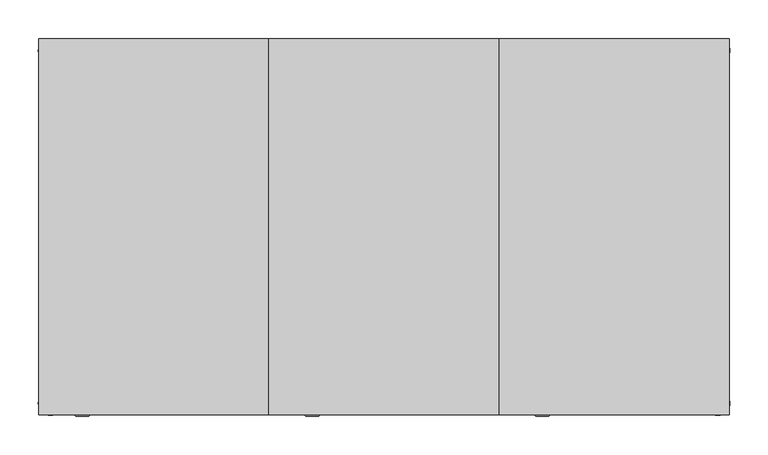
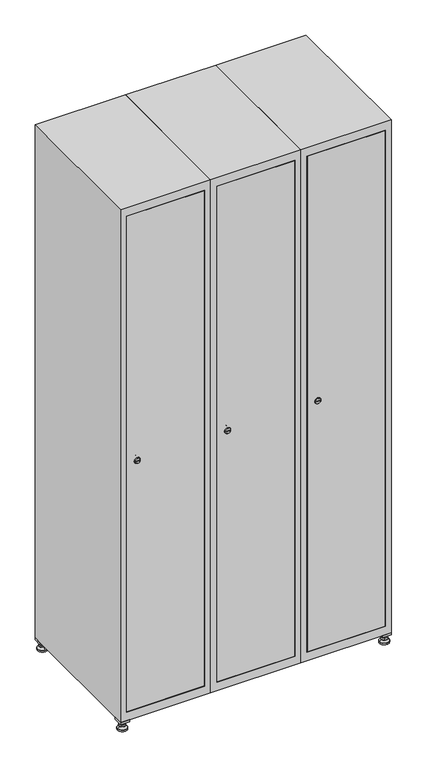
"""IFC4 building model written with IfcOpenShell, lengths in millimetres: furniture geometry."""

import ifcopenshell
import ifcopenshell.guid

model = None  # the IFC model being written
_history = None  # IfcOwnerHistory: only IFC2X3 demands one
_inside = {}  # id of a spatial element -> (the spatial element, [elements in it])
_under = {}  # id of a project, library or spatial element -> (it, [spatial elements below it])
_declared = {}  # id of a project -> (the project, [libraries it declares])
_typed = {}  # id of a type object -> (the type object, [elements of that type])
_made_of = {}  # id of a material, layer set ... -> (it, [elements and type objects made of it])


def new_model(schema):
    """Start an empty IFC model of exactly this schema.

    Asked for "IFC4X3", IfcOpenShell would pick the latest addendum, in which some entities
    have other attributes; the version numbers below select the first issue.
    IFC2X3 requires an IfcOwnerHistory on every rooted entity: one is made here for all.
    """
    global model, _history
    if schema == "IFC4X3":
        model = ifcopenshell.file(schema_version=(4, 3, 0, 0))
    else:
        model = ifcopenshell.file(schema=schema)
    _inside.clear()
    _under.clear()
    _declared.clear()
    _typed.clear()
    _made_of.clear()
    _history = None
    if model.schema == "IFC2X3":
        org = make("IfcOrganization", Name="unknown")
        user = make(
            "IfcPersonAndOrganization",
            ThePerson=make("IfcPerson", FamilyName="unknown"),
            TheOrganization=org,
        )
        app = make(
            "IfcApplication",
            ApplicationDeveloper=org,
            Version="unknown",
            ApplicationFullName="unknown",
            ApplicationIdentifier="unknown",
        )
        _history = make(
            "IfcOwnerHistory",
            OwningUser=user,
            OwningApplication=app,
            ChangeAction="ADDED",
            CreationDate=0,
        )
    return model


def make(cls, **values):
    """One entity of the class cls with the attributes given. An attribute that is None is left unset."""
    return model.create_entity(
        cls, **{name: value for name, value in values.items() if value is not None}
    )


def rooted(cls, **values):
    """An entity with a GlobalId (a new one), such as an element, a storey or a relation."""
    return make(cls, GlobalId=ifcopenshell.guid.new(), OwnerHistory=_history, **values)


def si_unit(unit_type, name, prefix=None):
    """IfcSIUnit, for example si_unit("LENGTHUNIT", "METRE", prefix="MILLI")."""
    return make("IfcSIUnit", UnitType=unit_type, Prefix=prefix, Name=name)


def assignment(units):
    """IfcUnitAssignment: the units of a project."""
    return None if units is None else make("IfcUnitAssignment", Units=units)


def point(xyz):
    """IfcCartesianPoint."""
    return None if xyz is None else make("IfcCartesianPoint", Coordinates=xyz)


def direction(xyz):
    """IfcDirection."""
    return None if xyz is None else make("IfcDirection", DirectionRatios=xyz)


def frame(location, z_axis=None, x_axis=None):
    """IfcAxis2Placement3D, a coordinate frame: its origin and axes. An axis left out is left unset."""
    return make(
        "IfcAxis2Placement3D",
        Location=point(location),
        Axis=direction(z_axis),
        RefDirection=direction(x_axis),
    )


def frame_2d(location, x_axis=None):
    """IfcAxis2Placement2D, a coordinate frame in the plane: its origin and x axis."""
    return make(
        "IfcAxis2Placement2D", Location=point(location), RefDirection=direction(x_axis)
    )


def origin():
    """The frame at (0, 0, 0) with its axes left unset."""
    return frame((0.0, 0.0, 0.0))


def origin_with_axes():
    """The frame at (0, 0, 0) with the z axis (0, 0, 1) and the x axis (1, 0, 0) written out."""
    return frame((0.0, 0.0, 0.0), z_axis=(0.0, 0.0, 1.0), x_axis=(1.0, 0.0, 0.0))


def place(relative_to, where):
    """IfcLocalPlacement: puts the frame where relative to a parent placement (None: the world)."""
    return make(
        "IfcLocalPlacement", PlacementRelTo=relative_to, RelativePlacement=where
    )


def context(
    kind, dimensions, precision=None, world=None, true_north=None, identifier=None
):
    """IfcGeometricRepresentationContext, for example the 3D "Model" context."""
    return make(
        "IfcGeometricRepresentationContext",
        ContextIdentifier=identifier,
        ContextType=kind,
        CoordinateSpaceDimension=dimensions,
        Precision=precision,
        WorldCoordinateSystem=world,
        TrueNorth=true_north,
    )


def project(units=None, contexts=None):
    """IfcProject with its units and contexts."""
    return rooted(
        "IfcProject",
        Name="project",
        RepresentationContexts=contexts,
        UnitsInContext=assignment(units),
    )


def spatial(cls, under=None, at=None, **own):
    """A site, building, storey or space (cls), placed at a placement, below another one or the project."""
    s = rooted(cls, ObjectPlacement=at, **own)
    if under is not None:
        _under.setdefault(under.id(), (under, []))[1].append(s)
    return s


def polyline(points):
    """IfcPolyline through the points."""
    return make("IfcPolyline", Points=[point(p) for p in points])


def circle_curve(where, radius):
    """IfcCircle in the frame where."""
    return make("IfcCircle", Position=where, Radius=radius)


def trimmed(basis, trim1, trim2, sense, master):
    """IfcTrimmedCurve: the piece of a basis curve between two trims."""
    return make(
        "IfcTrimmedCurve",
        BasisCurve=basis,
        Trim1=trim1,
        Trim2=trim2,
        SenseAgreement=sense,
        MasterRepresentation=master,
    )


def segment(curve, same_sense, transition):
    """IfcCompositeCurveSegment."""
    return make(
        "IfcCompositeCurveSegment",
        Transition=transition,
        SameSense=same_sense,
        ParentCurve=curve,
    )


def composite_curve(segments, self_intersect=None):
    """IfcCompositeCurve: segments joined end to end."""
    return make("IfcCompositeCurve", Segments=segments, SelfIntersect=self_intersect)


def outline(outer, holes=None, kind="AREA"):
    """IfcArbitraryClosedProfileDef: a profile drawn as a closed curve; with holes, ...WithVoids."""
    if holes is None:
        return make("IfcArbitraryClosedProfileDef", ProfileType=kind, OuterCurve=outer)
    return make(
        "IfcArbitraryProfileDefWithVoids",
        ProfileType=kind,
        OuterCurve=outer,
        InnerCurves=holes,
    )


def extrude(swept, where, along, depth):
    """IfcExtrudedAreaSolid: the profile swept, set in the frame where, extruded along a direction by depth."""
    return make(
        "IfcExtrudedAreaSolid",
        SweptArea=swept,
        Position=where,
        ExtrudedDirection=direction(along),
        Depth=depth,
    )


def faces_of(points, faces, orient=None, outer=None):
    """IfcFace entities. A face is a list of loops; a loop is a list of indices into points, from 0.

    orient and outer hold one flag for each loop. By default every Orientation is true, the
    first loop of a face is its IfcFaceOuterBound and the others are IfcFaceBound.
    """
    made = []
    for i, loops in enumerate(faces):
        bounds = []
        for j, loop in enumerate(loops):
            is_outer = j == 0 if outer is None else outer[i][j]
            bounds.append(
                make(
                    "IfcFaceOuterBound" if is_outer else "IfcFaceBound",
                    Bound=make("IfcPolyLoop", Polygon=[points[k] for k in loop]),
                    Orientation=True if orient is None else orient[i][j],
                )
            )
        made.append(make("IfcFace", Bounds=bounds))
    return made


def faceted_brep(points, faces, orient=None, outer=None, voids=None):
    """IfcFacetedBrep: a solid bounded by flat faces; with voids (closed shells), ...WithVoids."""
    shared = [point(p) for p in points]
    hull = make("IfcClosedShell", CfsFaces=faces_of(shared, faces, orient, outer))
    if voids is None:
        return make("IfcFacetedBrep", Outer=hull)
    return make(
        "IfcFacetedBrepWithVoids",
        Outer=hull,
        Voids=[
            make(cls, CfsFaces=faces_of(shared, fs, o, b)) for cls, fs, o, b in voids
        ],
    )


def shape(context_of_items, identifier, shape_type, items):
    """IfcShapeRepresentation: the items that make up one representation, for example the "Body"."""
    return make(
        "IfcShapeRepresentation",
        ContextOfItems=context_of_items,
        RepresentationIdentifier=identifier,
        RepresentationType=shape_type,
        Items=items,
    )


def source(mapping_origin, context_of_items, identifier, shape_type, items):
    """IfcRepresentationMap: a shape defined once, which mapped items show again and again."""
    return make(
        "IfcRepresentationMap",
        MappingOrigin=mapping_origin,
        MappedRepresentation=shape(context_of_items, identifier, shape_type, items),
    )


def transform(
    local_origin,
    x_axis=None,
    y_axis=None,
    z_axis=None,
    scale=None,
    scale2=None,
    scale3=None,
    uniform=True,
):
    """IfcCartesianTransformationOperator3D, or its non-uniform kind. x_axis, y_axis, z_axis: its Axis1, 2, 3."""
    if uniform:
        return make(
            "IfcCartesianTransformationOperator3D",
            Axis1=direction(x_axis),
            Axis2=direction(y_axis),
            LocalOrigin=point(local_origin),
            Scale=scale,
            Axis3=direction(z_axis),
        )
    return make(
        "IfcCartesianTransformationOperator3DnonUniform",
        Axis1=direction(x_axis),
        Axis2=direction(y_axis),
        LocalOrigin=point(local_origin),
        Scale=scale,
        Axis3=direction(z_axis),
        Scale2=scale2,
        Scale3=scale3,
    )


def mapped(mapping_source, mapping_target):
    """IfcMappedItem: shows the shape of a source again, moved by a transform."""
    return make(
        "IfcMappedItem", MappingSource=mapping_source, MappingTarget=mapping_target
    )


def made_of(thing, what):
    """Note that an element or type object is made of a material, layer set ...; save() writes the relation."""
    if what is not None:
        _made_of.setdefault(what.id(), (what, []))[1].append(thing)
    return thing


def element(
    cls,
    number,
    at=None,
    inside=None,
    cuts=None,
    type_object=None,
    material=None,
    context=None,
    identifier="Body",
    shape_type=None,
    held_by="IfcProductDefinitionShape",
    body=None,
    shapes=None,
    **own,
):
    """One element of the class cls, such as IfcWall. Its Tag is "e" and its number.

    at: its placement. inside: the storey or other place that contains it. cuts: it is an
    opening in that element (IfcRelVoidsElement). A single representation is given by context,
    identifier, shape_type and body (its items); several are given by shapes. held_by: the class
    of the entity that holds the representations. save() writes the other relations.
    """
    e = rooted(cls, Tag="e%d" % number, ObjectPlacement=at, **own)
    if body is not None:
        shapes = [shape(context, identifier, shape_type, body)]
    if shapes is not None:
        e.Representation = make(held_by, Representations=shapes)
    if inside is not None:
        _inside.setdefault(inside.id(), (inside, []))[1].append(e)
    if cuts is not None:
        rooted(
            "IfcRelVoidsElement", RelatingBuildingElement=cuts, RelatedOpeningElement=e
        )
    if type_object is not None:
        _typed.setdefault(type_object.id(), (type_object, []))[1].append(e)
    return made_of(e, material)


def aggregate(whole, parts):
    """IfcRelAggregates: a whole, such as a stair, and the parts it consists of."""
    return rooted("IfcRelAggregates", RelatingObject=whole, RelatedObjects=parts)


def save(model, path):
    """Write the relations noted so far, then the file.

    IfcRelAggregates (storeys below a building ...), IfcRelContainedInSpatialStructure (elements
    in a storey), IfcRelDefinesByType, IfcRelAssociatesMaterial and IfcRelDeclares: one each for
    every whole, place, type object, material and project.
    """
    for whole, parts in _under.values():
        aggregate(whole, parts)
    for where, things in _inside.values():
        rooted(
            "IfcRelContainedInSpatialStructure",
            RelatedElements=things,
            RelatingStructure=where,
        )
    for kind, things in _typed.values():
        rooted("IfcRelDefinesByType", RelatedObjects=things, RelatingType=kind)
    for what, things in _made_of.values():
        rooted("IfcRelAssociatesMaterial", RelatedObjects=things, RelatingMaterial=what)
    for by, libraries in _declared.values():
        rooted("IfcRelDeclares", RelatingContext=by, RelatedDefinitions=libraries)
    model.write(path)


def plane_surface(at):
    """IfcPlane: the flat surface through the origin of the frame at, square to its z axis."""
    return make("IfcPlane", Position=at)


def revolved_surface(curve, axis_point, axis_direction):
    """IfcSurfaceOfRevolution: the curve turned about the line through axis_point along axis_direction."""
    return make(
        "IfcSurfaceOfRevolution",
        SweptCurve=make("IfcArbitraryOpenProfileDef", ProfileType="CURVE", Curve=curve),
        AxisPosition=make("IfcAxis1Placement", Location=point(axis_point), Axis=direction(axis_direction)),
    )


def advanced_brep(points, edges, surfaces, faces):
    """IfcAdvancedBrep: a solid bounded by faces that lie on surfaces and meet in shared edges.

    An edge is (start, end): straight between two places in points (the first is 0);
    or (start, end, curve); or (start, end, curve, False) where it runs against its curve.
    A face is (place in surfaces, loops), or (place, loops, False) where it looks against
    its surface's normal. A loop lists edges by number (the first is 1), with a minus sign
    where the edge is run from its end to its start. The first loop is the outer one.
    """
    corners = [point(p) for p in points]
    vertices = [make("IfcVertexPoint", VertexGeometry=c) for c in corners]
    made = []
    for start, end, *more in edges:
        made.append(
            make(
                "IfcEdgeCurve",
                EdgeStart=vertices[start],
                EdgeEnd=vertices[end],
                EdgeGeometry=more[0] if more else make("IfcPolyline", Points=[corners[start], corners[end]]),
                SameSense=more[1] if len(more) > 1 else True,
            )
        )
    hull = []
    for where, loops, *sense in faces:
        bounds = []
        for j, loop in enumerate(loops):
            ring = [make("IfcOrientedEdge", EdgeElement=made[abs(k) - 1], Orientation=k > 0) for k in loop]
            bounds.append(
                make(
                    "IfcFaceOuterBound" if j == 0 else "IfcFaceBound",
                    Bound=make("IfcEdgeLoop", EdgeList=ring),
                    Orientation=True,
                )
            )
        hull.append(make("IfcAdvancedFace", Bounds=bounds, FaceSurface=surfaces[where], SameSense=sense[0] if sense else True))
    return make("IfcAdvancedBrep", Outer=make("IfcClosedShell", CfsFaces=hull))


def furniture_a2f8b3f5(model_context):
    return source(origin(), model_context, "Body", "SolidModel", [
        extrude(outline(polyline([(700.0, 245.0), (700.0, 215.0), (670.0, 215.0), (670.0, 245.0), (700.0, 245.0)]), holes=[polyline([(698.0, 243.0), (672.0, 243.0), (672.0, 217.0), (698.0, 217.0), (698.0, 243.0)])]), frame((0.0, 0.0, 28.5), z_axis=(0.0, 0.0, 1.0), x_axis=(1.0, 0.0, 0.0)), (0.0, 0.0, 1.0), 6.5),
        extrude(outline(polyline([(670.0, -245.0), (670.0, -215.0), (700.0, -215.0), (700.0, -245.0), (670.0, -245.0)]), holes=[polyline([(672.0, -243.0), (698.0, -243.0), (698.0, -217.0), (672.0, -217.0), (672.0, -243.0)])]), frame((0.0, 0.0, 28.5), z_axis=(0.0, 0.0, 1.0), x_axis=(1.0, 0.0, 0.0)), (0.0, 0.0, 1.0), 6.5),
        extrude(outline(polyline([(-170.0, 245.0), (-170.0, 215.0), (-200.0, 215.0), (-200.0, 245.0), (-170.0, 245.0)]), holes=[polyline([(-172.0, 243.0), (-198.0, 243.0), (-198.0, 217.0), (-172.0, 217.0), (-172.0, 243.0)])]), frame((0.0, 0.0, 28.5), z_axis=(0.0, 0.0, 1.0), x_axis=(1.0, 0.0, 0.0)), (0.0, 0.0, 1.0), 6.5),
        extrude(outline(polyline([(-170.0, -215.0), (-170.0, -245.0), (-200.0, -245.0), (-200.0, -215.0), (-170.0, -215.0)]), holes=[polyline([(-198.0, -243.0), (-172.0, -243.0), (-172.0, -217.0), (-198.0, -217.0), (-198.0, -243.0)])]), frame((0.0, 0.0, 28.5), z_axis=(0.0, 0.0, 1.0), x_axis=(1.0, 0.0, 0.0)), (0.0, 0.0, 1.0), 6.5),
        extrude(outline(composite_curve([segment(trimmed(circle_curve(frame_2d((-185.0, 230.0)), 5.0), [point((-180.0, 230.0))], [point((-190.0, 230.0))], False, "CARTESIAN"), True, "CONTINUOUS"), segment(trimmed(circle_curve(frame_2d((-185.0, 230.0)), 5.0), [point((-190.0, 230.0))], [point((-180.0, 230.0))], False, "CARTESIAN"), True, "CONTINUOUS")], self_intersect=False)), frame((0.0, 0.0, 19.6), z_axis=(0.0, 0.0, 1.0), x_axis=(1.0, 0.0, 0.0)), (0.0, 0.0, 1.0), 15.4),
        extrude(outline(composite_curve([segment(trimmed(circle_curve(frame_2d((-185.0, -230.0)), 5.0), [point((-180.0, -230.0))], [point((-190.0, -230.0))], False, "CARTESIAN"), True, "CONTINUOUS"), segment(trimmed(circle_curve(frame_2d((-185.0, -230.0)), 5.0), [point((-190.0, -230.0))], [point((-180.0, -230.0))], False, "CARTESIAN"), True, "CONTINUOUS")], self_intersect=False)), frame((0.0, 0.0, 19.6), z_axis=(0.0, 0.0, 1.0), x_axis=(1.0, 0.0, 0.0)), (0.0, 0.0, 1.0), 15.4),
        extrude(outline(composite_curve([segment(trimmed(circle_curve(frame_2d((685.0, 230.0)), 5.0), [point((690.0, 230.0))], [point((680.0, 230.0))], False, "CARTESIAN"), True, "CONTINUOUS"), segment(trimmed(circle_curve(frame_2d((685.0, 230.0)), 5.0), [point((680.0, 230.0))], [point((690.0, 230.0))], False, "CARTESIAN"), True, "CONTINUOUS")], self_intersect=False)), frame((0.0, 0.0, 19.6), z_axis=(0.0, 0.0, 1.0), x_axis=(1.0, 0.0, 0.0)), (0.0, 0.0, 1.0), 15.4),
        extrude(outline(polyline([(673.4529946, 230.0), (679.2264973, 240.0), (690.7735027, 240.0), (696.5470054, 230.0), (690.7735027, 220.0), (679.2264973, 220.0), (673.4529946, 230.0)])), frame((0.0, 0.0, 13.6), z_axis=(0.0, 0.0, 1.0), x_axis=(1.0, 0.0, 0.0)), (0.0, 0.0, 1.0), 6.0),
        extrude(outline(composite_curve([segment(trimmed(circle_curve(frame_2d((685.0, -230.0)), 5.0), [point((690.0, -230.0))], [point((680.0, -230.0))], False, "CARTESIAN"), True, "CONTINUOUS"), segment(trimmed(circle_curve(frame_2d((685.0, -230.0)), 5.0), [point((680.0, -230.0))], [point((690.0, -230.0))], False, "CARTESIAN"), True, "CONTINUOUS")], self_intersect=False)), frame((0.0, 0.0, 19.6), z_axis=(0.0, 0.0, 1.0), x_axis=(1.0, 0.0, 0.0)), (0.0, 0.0, 1.0), 15.4),
        extrude(outline(polyline([(673.4529946, -230.0), (679.2264973, -220.0), (690.7735027, -220.0), (696.5470054, -230.0), (690.7735027, -240.0), (679.2264973, -240.0), (673.4529946, -230.0)])), frame((0.0, 0.0, 13.6), z_axis=(0.0, 0.0, 1.0), x_axis=(1.0, 0.0, 0.0)), (0.0, 0.0, 1.0), 6.0),
        extrude(outline(composite_curve([segment(trimmed(circle_curve(frame_2d((685.0, 230.0)), 5.0), [point((690.0, 230.0))], [point((680.0, 230.0))], False, "CARTESIAN"), True, "CONTINUOUS"), segment(trimmed(circle_curve(frame_2d((685.0, 230.0)), 5.0), [point((680.0, 230.0))], [point((690.0, 230.0))], False, "CARTESIAN"), True, "CONTINUOUS")], self_intersect=False)), frame((0.0, 0.0, 12.1), z_axis=(0.0, 0.0, 1.0), x_axis=(1.0, 0.0, 0.0)), (0.0, 0.0, 1.0), 1.5),
        extrude(outline(composite_curve([segment(trimmed(circle_curve(frame_2d((685.0, -230.0)), 5.0), [point((690.0, -230.0))], [point((680.0, -230.0))], False, "CARTESIAN"), True, "CONTINUOUS"), segment(trimmed(circle_curve(frame_2d((685.0, -230.0)), 5.0), [point((680.0, -230.0))], [point((690.0, -230.0))], False, "CARTESIAN"), True, "CONTINUOUS")], self_intersect=False)), frame((0.0, 0.0, 12.1), z_axis=(0.0, 0.0, 1.0), x_axis=(1.0, 0.0, 0.0)), (0.0, 0.0, 1.0), 1.5),
        extrude(outline(polyline([(-196.5470054, 230.0), (-190.7735027, 240.0), (-179.2264973, 240.0), (-173.4529946, 230.0), (-179.2264973, 220.0), (-190.7735027, 220.0), (-196.5470054, 230.0)])), frame((0.0, 0.0, 13.6), z_axis=(0.0, 0.0, 1.0), x_axis=(1.0, 0.0, 0.0)), (0.0, 0.0, 1.0), 6.0),
        extrude(outline(polyline([(-196.5470054, -230.0), (-190.7735027, -220.0), (-179.2264973, -220.0), (-173.4529946, -230.0), (-179.2264973, -240.0), (-190.7735027, -240.0), (-196.5470054, -230.0)])), frame((0.0, 0.0, 13.6), z_axis=(0.0, 0.0, 1.0), x_axis=(1.0, 0.0, 0.0)), (0.0, 0.0, 1.0), 6.0),
        extrude(outline(composite_curve([segment(trimmed(circle_curve(frame_2d((-185.0, 230.0)), 5.0), [point((-185.0, 235.0))], [point((-185.0, 225.0))], False, "CARTESIAN"), True, "CONTINUOUS"), segment(trimmed(circle_curve(frame_2d((-185.0, 230.0)), 5.0), [point((-185.0, 225.0))], [point((-185.0, 235.0))], False, "CARTESIAN"), True, "CONTINUOUS")], self_intersect=False)), frame((0.0, 0.0, 12.1), z_axis=(0.0, 0.0, 1.0), x_axis=(1.0, 0.0, 0.0)), (0.0, 0.0, 1.0), 1.5),
        extrude(outline(composite_curve([segment(trimmed(circle_curve(frame_2d((-185.0, -230.0)), 5.0), [point((-180.0, -230.0))], [point((-190.0, -230.0))], False, "CARTESIAN"), True, "CONTINUOUS"), segment(trimmed(circle_curve(frame_2d((-185.0, -230.0)), 5.0), [point((-190.0, -230.0))], [point((-180.0, -230.0))], False, "CARTESIAN"), True, "CONTINUOUS")], self_intersect=False)), frame((0.0, 0.0, 12.1), z_axis=(0.0, 0.0, 1.0), x_axis=(1.0, 0.0, 0.0)), (0.0, 0.0, 1.0), 1.5),
        extrude(outline(composite_curve([segment(trimmed(circle_curve(frame_2d((685.0, 230.0)), 15.75), [point((700.75, 230.0))], [point((669.25, 230.0))], False, "CARTESIAN"), True, "CONTINUOUS"), segment(trimmed(circle_curve(frame_2d((685.0, 230.0)), 15.75), [point((669.25, 230.0))], [point((700.75, 230.0))], False, "CARTESIAN"), True, "CONTINUOUS")], self_intersect=False)), origin_with_axes(), (0.0, 0.0, 1.0), 5.1),
        extrude(outline(composite_curve([segment(trimmed(circle_curve(frame_2d((685.0, -230.0)), 15.75), [point((685.0, -214.25))], [point((685.0, -245.75))], False, "CARTESIAN"), True, "CONTINUOUS"), segment(trimmed(circle_curve(frame_2d((685.0, -230.0)), 15.75), [point((685.0, -245.75))], [point((685.0, -214.25))], False, "CARTESIAN"), True, "CONTINUOUS")], self_intersect=False)), origin_with_axes(), (0.0, 0.0, 1.0), 5.1),
        extrude(outline(composite_curve([segment(trimmed(circle_curve(frame_2d((-185.0, -230.0)), 15.75), [point((-169.25, -230.0))], [point((-200.75, -230.0))], False, "CARTESIAN"), True, "CONTINUOUS"), segment(trimmed(circle_curve(frame_2d((-185.0, -230.0)), 15.75), [point((-200.75, -230.0))], [point((-169.25, -230.0))], False, "CARTESIAN"), True, "CONTINUOUS")], self_intersect=False)), origin_with_axes(), (0.0, 0.0, 1.0), 5.1),
        extrude(outline(composite_curve([segment(trimmed(circle_curve(frame_2d((-185.0, 230.0)), 15.75), [point((-169.25, 230.0))], [point((-200.75, 230.0))], False, "CARTESIAN"), True, "CONTINUOUS"), segment(trimmed(circle_curve(frame_2d((-185.0, 230.0)), 15.75), [point((-200.75, 230.0))], [point((-169.25, 230.0))], False, "CARTESIAN"), True, "CONTINUOUS")], self_intersect=False)), origin_with_axes(), (0.0, 0.0, 1.0), 5.1),
        advanced_brep(
        [(-185.0, 245.75, 5.1), (-185.0, 214.25, 5.1), (-185.0, 239.5, 12.1), (-185.0, 220.5, 12.1)],
        [
            (0, 1, circle_curve(frame((-185.0, 230.0, 5.1), z_axis=(0.0, 0.0, -1.0), x_axis=(0.0, 1.0, 0.0)), 15.75)),
            (1, 0, circle_curve(frame((-185.0, 230.0, 5.1), z_axis=(0.0, 0.0, -1.0), x_axis=(0.0, -1.0, 0.0)), 15.75)),
            (2, 3, circle_curve(frame((-185.0, 230.0, 12.1), z_axis=(0.0, 0.0, 1.0), x_axis=(0.0, -1.0, 0.0)), 9.5)),
            (3, 2, circle_curve(frame((-185.0, 230.0, 12.1), z_axis=(0.0, 0.0, 1.0), x_axis=(0.0, 1.0, 0.0)), 9.5)),
            (3, 1),
            (0, 2),
        ],
        [
            plane_surface(frame((-185.0, 230.0, 5.1), z_axis=(0.0, 0.0, -1.0), x_axis=(1.0, 0.0, 0.0))),
            plane_surface(frame((-185.0, 230.0, 12.1), z_axis=(0.0, 0.0, 1.0), x_axis=(1.0, 0.0, 0.0))),
            revolved_surface(polyline([(-185.0, 220.5, 12.099999999999998), (-185.0, 214.25, 5.099999999999998)]), (-185.0, 230.0, 22.74), (0.0, 0.0, -1.0)),
            revolved_surface(polyline([(-185.0, 239.5, 12.099999999999998), (-185.0, 245.75, 5.099999999999998)]), (-185.0, 230.0, 22.74), (0.0, 0.0, -1.0)),
        ],
        [
            (0, [[1, 2]]),
            (1, [[3, 4]]),
            (2, [[-4, 5, -1, 6]]),
            (3, [[-3, -6, -2, -5]]),
        ],
    ),
        advanced_brep(
        [(685.0, 245.75, 5.1), (685.0, 214.25, 5.1), (685.0, 239.5, 12.1), (685.0, 220.5, 12.1)],
        [
            (0, 1, circle_curve(frame((685.0, 230.0, 5.1), z_axis=(0.0, 0.0, -1.0), x_axis=(0.0, 1.0, 0.0)), 15.75)),
            (1, 0, circle_curve(frame((685.0, 230.0, 5.1), z_axis=(0.0, 0.0, -1.0), x_axis=(0.0, -1.0, 0.0)), 15.75)),
            (2, 3, circle_curve(frame((685.0, 230.0, 12.1), z_axis=(0.0, 0.0, 1.0), x_axis=(0.0, -1.0, 0.0)), 9.5)),
            (3, 2, circle_curve(frame((685.0, 230.0, 12.1), z_axis=(0.0, 0.0, 1.0), x_axis=(0.0, 1.0, 0.0)), 9.5)),
            (3, 1),
            (0, 2),
        ],
        [
            plane_surface(frame((685.0, 230.0, 5.1), z_axis=(0.0, 0.0, -1.0), x_axis=(1.0, 0.0, 0.0))),
            plane_surface(frame((685.0, 230.0, 12.1), z_axis=(0.0, 0.0, 1.0), x_axis=(1.0, 0.0, 0.0))),
            revolved_surface(polyline([(685.0, 220.5, 12.099999999999998), (685.0, 214.25, 5.099999999999998)]), (685.0, 230.0, 22.74), (0.0, 0.0, -1.0)),
            revolved_surface(polyline([(685.0, 239.5, 12.099999999999998), (685.0, 245.75, 5.099999999999998)]), (685.0, 230.0, 22.74), (0.0, 0.0, -1.0)),
        ],
        [
            (0, [[1, 2]]),
            (1, [[3, 4]]),
            (2, [[-4, 5, -1, 6]]),
            (3, [[-3, -6, -2, -5]]),
        ],
    ),
        advanced_brep(
        [(694.5, -230.0, 12.1), (675.5, -230.0, 12.1), (700.75, -230.0, 5.1), (669.25, -230.0, 5.1)],
        [
            (0, 1, circle_curve(frame((685.0, -230.0, 12.1), z_axis=(0.0, 0.0, 1.0), x_axis=(1.0, 0.0, 0.0)), 9.5)),
            (1, 0, circle_curve(frame((685.0, -230.0, 12.1), z_axis=(0.0, 0.0, 1.0), x_axis=(-1.0, 0.0, 0.0)), 9.5)),
            (2, 3, circle_curve(frame((685.0, -230.0, 5.1), z_axis=(0.0, 0.0, -1.0), x_axis=(-1.0, 0.0, 0.0)), 15.75)),
            (3, 2, circle_curve(frame((685.0, -230.0, 5.1), z_axis=(0.0, 0.0, -1.0), x_axis=(1.0, 0.0, 0.0)), 15.75)),
            (3, 1),
            (0, 2),
        ],
        [
            plane_surface(frame((685.0, -230.0, 12.1), z_axis=(0.0, 0.0, 1.0), x_axis=(0.0, 1.0, 0.0))),
            plane_surface(frame((685.0, -230.0, 5.1), z_axis=(0.0, 0.0, -1.0), x_axis=(0.0, 1.0, 0.0))),
            revolved_surface(polyline([(694.5, -230.0, 12.099999999999998), (700.75, -230.0, 5.099999999999998)]), (685.0, -230.0, 22.74), (0.0, 0.0, -1.0)),
            revolved_surface(polyline([(675.5, -230.0, 12.099999999999998), (669.25, -230.0, 5.099999999999998)]), (685.0, -230.0, 22.74), (0.0, 0.0, -1.0)),
        ],
        [
            (0, [[1, 2]]),
            (1, [[3, 4]]),
            (2, [[-4, 5, -1, 6]]),
            (3, [[-3, -6, -2, -5]]),
        ],
    ),
        advanced_brep(
        [(-175.5, -230.0, 12.1), (-194.5, -230.0, 12.1), (-169.25, -230.0, 5.1), (-200.75, -230.0, 5.1)],
        [
            (0, 1, circle_curve(frame((-185.0, -230.0, 12.1), z_axis=(0.0, 0.0, 1.0), x_axis=(1.0, 0.0, 0.0)), 9.5)),
            (1, 0, circle_curve(frame((-185.0, -230.0, 12.1), z_axis=(0.0, 0.0, 1.0), x_axis=(-1.0, 0.0, 0.0)), 9.5)),
            (2, 3, circle_curve(frame((-185.0, -230.0, 5.1), z_axis=(0.0, 0.0, -1.0), x_axis=(-1.0, 0.0, 0.0)), 15.75)),
            (3, 2, circle_curve(frame((-185.0, -230.0, 5.1), z_axis=(0.0, 0.0, -1.0), x_axis=(1.0, 0.0, 0.0)), 15.75)),
            (3, 1),
            (0, 2),
        ],
        [
            plane_surface(frame((-185.0, -230.0, 12.1), z_axis=(0.0, 0.0, 1.0), x_axis=(0.0, 1.0, 0.0))),
            plane_surface(frame((-185.0, -230.0, 5.1), z_axis=(0.0, 0.0, -1.0), x_axis=(0.0, 1.0, 0.0))),
            revolved_surface(polyline([(-175.5, -230.0, 12.099999999999998), (-169.25, -230.0, 5.099999999999998)]), (-185.0, -230.0, 22.74), (0.0, 0.0, -1.0)),
            revolved_surface(polyline([(-194.5, -230.0, 12.099999999999998), (-200.75, -230.0, 5.099999999999998)]), (-185.0, -230.0, 22.74), (0.0, 0.0, -1.0)),
        ],
        [
            (0, [[1, 2]]),
            (1, [[3, 4]]),
            (2, [[-4, 5, -1, 6]]),
            (3, [[-3, -6, -2, -5]]),
        ],
    ),
        extrude(outline(composite_curve([segment(trimmed(circle_curve(frame_2d((935.0, 429.6010534)), 7.0), [point((942.0, 429.6010534))], [point((928.0, 429.6010534))], False, "CARTESIAN"), True, "CONTINUOUS"), segment(polyline([(928.0, 429.6010534), (928.0, 457.6010534)]), True, "CONTINUOUS"), segment(trimmed(circle_curve(frame_2d((935.0, 457.6010534)), 7.0), [point((928.0, 457.6010534))], [point((942.0, 457.6010534))], False, "CARTESIAN"), True, "CONTINUOUS"), segment(polyline([(942.0, 457.6010534), (942.0, 429.6010534)]), True, "CONTINUOUS")], self_intersect=False)), frame((0.0, -227.0, 0.0), z_axis=(0.0, 1.0, 0.0), x_axis=(0.0, 0.0, 1.0)), (0.0, 0.0, 1.0), 2.0),
        advanced_brep(
        [(464.9, -247.2, 935.0), (447.9, -247.2, 935.0), (451.4, -247.2, 933.75), (451.4, -247.2, 936.25), (461.4, -247.2, 936.25), (461.4, -247.2, 933.75), (466.9, -245.0, 935.0), (445.9, -245.0, 935.0), (451.4, -245.0, 936.25), (451.4, -245.0, 933.75), (461.4, -245.0, 933.75), (461.4, -245.0, 936.25)],
        [
            (0, 1, circle_curve(frame((456.4, -247.2, 935.0), z_axis=(0.0, -1.0, 0.0), x_axis=(1.0, 0.0, 0.0)), 8.5)),
            (1, 0, circle_curve(frame((456.4, -247.2, 935.0), z_axis=(0.0, -1.0, 0.0), x_axis=(-1.0, 0.0, 0.0)), 8.5)),
            (2, 3),
            (3, 4),
            (4, 5),
            (5, 2),
            (6, 7, circle_curve(frame((456.4, -245.0, 935.0), z_axis=(0.0, 1.0, 0.0), x_axis=(-1.0, 0.0, 0.0)), 10.5)),
            (7, 6, circle_curve(frame((456.4, -245.0, 935.0), z_axis=(0.0, 1.0, 0.0), x_axis=(1.0, 0.0, 0.0)), 10.5)),
            (8, 9),
            (9, 10),
            (10, 11),
            (11, 8),
            (0, 6),
            (7, 1),
            (8, 3),
            (2, 9),
            (11, 4),
            (10, 5),
        ],
        [
            plane_surface(frame((456.4, -247.2, 935.0), z_axis=(0.0, -1.0, 0.0), x_axis=(0.0, 0.0, 1.0))),
            plane_surface(frame((456.4, -245.0, 935.0), z_axis=(0.0, 1.0, 0.0), x_axis=(0.0, 0.0, 1.0))),
            revolved_surface(polyline([(464.9, -247.2, 935.0), (466.9, -245.0, 935.0)]), (456.4, -256.55, 935.0), (0.0, 1.0, 0.0)),
            revolved_surface(polyline([(447.9, -247.2, 935.0), (445.9, -245.0, 935.0)]), (456.4, -256.55, 935.0), (0.0, 1.0, 0.0)),
            plane_surface(frame((451.4, -245.0, 933.75), z_axis=(1.0, 0.0, 0.0), x_axis=(0.0, -1.0, 0.0))),
            plane_surface(frame((451.4, -245.0, 936.25), z_axis=(0.0, 0.0, -1.0), x_axis=(0.0, -1.0, 0.0))),
            plane_surface(frame((461.4, -245.0, 936.25), z_axis=(-1.0, 0.0, 0.0), x_axis=(0.0, -1.0, 0.0))),
            plane_surface(frame((461.4, -245.0, 933.75), z_axis=(0.0, 0.0, 1.0), x_axis=(0.0, -1.0, 0.0))),
        ],
        [
            (0, [[1, 2], [3, 4, 5, 6]]),
            (1, [[7, 8], [9, 10, 11, 12]]),
            (2, [[-1, 13, -8, 14]]),
            (3, [[-2, -14, -7, -13]]),
            (4, [[15, -3, 16, -9]]),
            (5, [[-15, -12, 17, -4]]),
            (6, [[-17, -11, 18, -5]]),
            (7, [[-16, -6, -18, -10]]),
        ],
    ),
        extrude(outline(polyline([(678.6, -227.0), (678.6, -245.0), (421.4, -245.0), (421.4, -227.0), (678.6, -227.0)])), frame((0.0, 0.0, 66.2), z_axis=(0.0, 0.0, 1.0), x_axis=(1.0, 0.0, 0.0)), (0.0, 0.0, 1.0), 1737.6),
        faceted_brep([(700.0, -245.0, 35.0), (700.0, -245.0, 1835.0), (400.0, -245.0, 1835.0), (400.0, -245.0, 35.0), (679.6, -245.0, 1804.8), (679.6, -245.0, 65.2), (420.4, -245.0, 65.2), (420.4, -245.0, 1804.8), (700.0, 245.0, 35.0), (400.0, 245.0, 35.0), (700.0, 245.0, 1835.0), (400.0, 245.0, 1835.0), (679.6, 242.0, 1804.8), (679.6, 242.0, 65.2), (400.0, 245.0, 1804.8), (420.4, 242.0, 1804.8), (420.4, 242.0, 65.2)], [[[0, 1, 2, 3], [4, 5, 6, 7]], [[8, 0, 3, 9]], [[1, 0, 8, 10]], [[1, 10, 11, 2]], [[4, 12, 13, 5]], [[9, 3, 2, 11, 14]], [[10, 8, 9, 14, 11]], [[12, 15, 16, 13]], [[15, 7, 6, 16]], [[4, 7, 15, 12]], [[6, 5, 13, 16]]]),
        extrude(outline(composite_curve([segment(trimmed(circle_curve(frame_2d((935.0, 129.6010534)), 7.0), [point((942.0, 129.6010534))], [point((928.0, 129.6010534))], False, "CARTESIAN"), True, "CONTINUOUS"), segment(polyline([(928.0, 129.6010534), (928.0, 157.6010534)]), True, "CONTINUOUS"), segment(trimmed(circle_curve(frame_2d((935.0, 157.6010534)), 7.0), [point((928.0, 157.6010534))], [point((942.0, 157.6010534))], False, "CARTESIAN"), True, "CONTINUOUS"), segment(polyline([(942.0, 157.6010534), (942.0, 129.6010534)]), True, "CONTINUOUS")], self_intersect=False)), frame((0.0, -227.0, 0.0), z_axis=(0.0, 1.0, 0.0), x_axis=(0.0, 0.0, 1.0)), (0.0, 0.0, 1.0), 2.0),
        advanced_brep(
        [(164.9, -247.2, 935.0), (147.9, -247.2, 935.0), (151.4, -247.2, 933.75), (151.4, -247.2, 936.25), (161.4, -247.2, 936.25), (161.4, -247.2, 933.75), (166.9, -245.0, 935.0), (145.9, -245.0, 935.0), (151.4, -245.0, 936.25), (151.4, -245.0, 933.75), (161.4, -245.0, 933.75), (161.4, -245.0, 936.25)],
        [
            (0, 1, circle_curve(frame((156.4, -247.2, 935.0), z_axis=(0.0, -1.0, 0.0), x_axis=(1.0, 0.0, 0.0)), 8.5)),
            (1, 0, circle_curve(frame((156.4, -247.2, 935.0), z_axis=(0.0, -1.0, 0.0), x_axis=(-1.0, 0.0, 0.0)), 8.5)),
            (2, 3),
            (3, 4),
            (4, 5),
            (5, 2),
            (6, 7, circle_curve(frame((156.4, -245.0, 935.0), z_axis=(0.0, 1.0, 0.0), x_axis=(-1.0, 0.0, 0.0)), 10.5)),
            (7, 6, circle_curve(frame((156.4, -245.0, 935.0), z_axis=(0.0, 1.0, 0.0), x_axis=(1.0, 0.0, 0.0)), 10.5)),
            (8, 9),
            (9, 10),
            (10, 11),
            (11, 8),
            (0, 6),
            (7, 1),
            (8, 3),
            (2, 9),
            (11, 4),
            (10, 5),
        ],
        [
            plane_surface(frame((156.4, -247.2, 935.0), z_axis=(0.0, -1.0, 0.0), x_axis=(0.0, 0.0, 1.0))),
            plane_surface(frame((156.4, -245.0, 935.0), z_axis=(0.0, 1.0, 0.0), x_axis=(0.0, 0.0, 1.0))),
            revolved_surface(polyline([(164.9, -247.2, 935.0), (166.9, -245.0, 935.0)]), (156.4, -256.55, 935.0), (0.0, 1.0, 0.0)),
            revolved_surface(polyline([(147.9, -247.2, 935.0), (145.9, -245.0, 935.0)]), (156.4, -256.55, 935.0), (0.0, 1.0, 0.0)),
            plane_surface(frame((151.4, -245.0, 933.75), z_axis=(1.0, 0.0, 0.0), x_axis=(0.0, -1.0, 0.0))),
            plane_surface(frame((151.4, -245.0, 936.25), z_axis=(0.0, 0.0, -1.0), x_axis=(0.0, -1.0, 0.0))),
            plane_surface(frame((161.4, -245.0, 936.25), z_axis=(-1.0, 0.0, 0.0), x_axis=(0.0, -1.0, 0.0))),
            plane_surface(frame((161.4, -245.0, 933.75), z_axis=(0.0, 0.0, 1.0), x_axis=(0.0, -1.0, 0.0))),
        ],
        [
            (0, [[1, 2], [3, 4, 5, 6]]),
            (1, [[7, 8], [9, 10, 11, 12]]),
            (2, [[-1, 13, -8, 14]]),
            (3, [[-2, -14, -7, -13]]),
            (4, [[15, -3, 16, -9]]),
            (5, [[-15, -12, 17, -4]]),
            (6, [[-17, -11, 18, -5]]),
            (7, [[-16, -6, -18, -10]]),
        ],
    ),
        extrude(outline(polyline([(378.6, -227.0), (378.6, -245.0), (121.4, -245.0), (121.4, -227.0), (378.6, -227.0)])), frame((0.0, 0.0, 66.2), z_axis=(0.0, 0.0, 1.0), x_axis=(1.0, 0.0, 0.0)), (0.0, 0.0, 1.0), 1737.6),
        faceted_brep([(400.0, -245.0, 35.0), (400.0, -245.0, 1835.0), (100.0, -245.0, 1835.0), (100.0, -245.0, 35.0), (379.6, -245.0, 1804.8), (379.6, -245.0, 65.2), (120.4, -245.0, 65.2), (120.4, -245.0, 1804.8), (400.0, 245.0, 35.0), (100.0, 245.0, 35.0), (400.0, 245.0, 1835.0), (100.0, 245.0, 1835.0), (379.6, 242.0, 1804.8), (379.6, 242.0, 65.2), (100.0, 245.0, 1804.8), (120.4, 242.0, 1804.8), (120.4, 242.0, 65.2)], [[[0, 1, 2, 3], [4, 5, 6, 7]], [[8, 0, 3, 9]], [[1, 0, 8, 10]], [[1, 10, 11, 2]], [[4, 12, 13, 5]], [[9, 3, 2, 11, 14]], [[10, 8, 9, 14, 11]], [[12, 15, 16, 13]], [[15, 7, 6, 16]], [[4, 7, 15, 12]], [[6, 5, 13, 16]]]),
        extrude(outline(composite_curve([segment(trimmed(circle_curve(frame_2d((935.0, -170.3989466)), 7.0), [point((942.0, -170.3989466))], [point((928.0, -170.3989466))], False, "CARTESIAN"), True, "CONTINUOUS"), segment(polyline([(928.0, -170.3989466), (928.0, -142.3989466)]), True, "CONTINUOUS"), segment(trimmed(circle_curve(frame_2d((935.0, -142.3989466)), 7.0), [point((928.0, -142.3989466))], [point((942.0, -142.3989466))], False, "CARTESIAN"), True, "CONTINUOUS"), segment(polyline([(942.0, -142.3989466), (942.0, -170.3989466)]), True, "CONTINUOUS")], self_intersect=False)), frame((0.0, -227.0, 0.0), z_axis=(0.0, 1.0, 0.0), x_axis=(0.0, 0.0, 1.0)), (0.0, 0.0, 1.0), 2.0),
        advanced_brep(
        [(-135.1, -247.2, 935.0), (-152.1, -247.2, 935.0), (-148.6, -247.2, 933.75), (-148.6, -247.2, 936.25), (-138.6, -247.2, 936.25), (-138.6, -247.2, 933.75), (-133.1, -245.0, 935.0), (-154.1, -245.0, 935.0), (-148.6, -245.0, 936.25), (-148.6, -245.0, 933.75), (-138.6, -245.0, 933.75), (-138.6, -245.0, 936.25)],
        [
            (0, 1, circle_curve(frame((-143.6, -247.2, 935.0), z_axis=(0.0, -1.0, 0.0), x_axis=(1.0, 0.0, 0.0)), 8.5)),
            (1, 0, circle_curve(frame((-143.6, -247.2, 935.0), z_axis=(0.0, -1.0, 0.0), x_axis=(-1.0, 0.0, 0.0)), 8.5)),
            (2, 3),
            (3, 4),
            (4, 5),
            (5, 2),
            (6, 7, circle_curve(frame((-143.6, -245.0, 935.0), z_axis=(0.0, 1.0, 0.0), x_axis=(-1.0, 0.0, 0.0)), 10.5)),
            (7, 6, circle_curve(frame((-143.6, -245.0, 935.0), z_axis=(0.0, 1.0, 0.0), x_axis=(1.0, 0.0, 0.0)), 10.5)),
            (8, 9),
            (9, 10),
            (10, 11),
            (11, 8),
            (0, 6),
            (7, 1),
            (8, 3),
            (2, 9),
            (11, 4),
            (10, 5),
        ],
        [
            plane_surface(frame((-143.6, -247.2, 935.0), z_axis=(0.0, -1.0, 0.0), x_axis=(0.0, 0.0, 1.0))),
            plane_surface(frame((-143.6, -245.0, 935.0), z_axis=(0.0, 1.0, 0.0), x_axis=(0.0, 0.0, 1.0))),
            revolved_surface(polyline([(-135.1, -247.2, 935.0), (-133.1, -245.0, 935.0)]), (-143.6, -256.55, 935.0), (0.0, 1.0, 0.0)),
            revolved_surface(polyline([(-152.1, -247.2, 935.0), (-154.1, -245.0, 935.0)]), (-143.6, -256.55, 935.0), (0.0, 1.0, 0.0)),
            plane_surface(frame((-148.6, -245.0, 933.75), z_axis=(1.0, 0.0, 0.0), x_axis=(0.0, -1.0, 0.0))),
            plane_surface(frame((-148.6, -245.0, 936.25), z_axis=(0.0, 0.0, -1.0), x_axis=(0.0, -1.0, 0.0))),
            plane_surface(frame((-138.6, -245.0, 936.25), z_axis=(-1.0, 0.0, 0.0), x_axis=(0.0, -1.0, 0.0))),
            plane_surface(frame((-138.6, -245.0, 933.75), z_axis=(0.0, 0.0, 1.0), x_axis=(0.0, -1.0, 0.0))),
        ],
        [
            (0, [[1, 2], [3, 4, 5, 6]]),
            (1, [[7, 8], [9, 10, 11, 12]]),
            (2, [[-1, 13, -8, 14]]),
            (3, [[-2, -14, -7, -13]]),
            (4, [[15, -3, 16, -9]]),
            (5, [[-15, -12, 17, -4]]),
            (6, [[-17, -11, 18, -5]]),
            (7, [[-16, -6, -18, -10]]),
        ],
    ),
        extrude(outline(polyline([(78.6, -227.0), (78.6, -245.0), (-178.6, -245.0), (-178.6, -227.0), (78.6, -227.0)])), frame((0.0, 0.0, 66.2), z_axis=(0.0, 0.0, 1.0), x_axis=(1.0, 0.0, 0.0)), (0.0, 0.0, 1.0), 1737.6),
        faceted_brep([(100.0, -245.0, 35.0), (100.0, -245.0, 1835.0), (-200.0, -245.0, 1835.0), (-200.0, -245.0, 35.0), (79.6, -245.0, 1804.8), (79.6, -245.0, 65.2), (-179.6, -245.0, 65.2), (-179.6, -245.0, 1804.8), (100.0, 245.0, 35.0), (-200.0, 245.0, 35.0), (100.0, 245.0, 1835.0), (-200.0, 245.0, 1835.0), (79.6, 242.0, 1804.8), (79.6, 242.0, 65.2), (-200.0, 245.0, 1804.8), (-179.6, 242.0, 1804.8), (-179.6, 242.0, 65.2)], [[[0, 1, 2, 3], [4, 5, 6, 7]], [[8, 0, 3, 9]], [[1, 0, 8, 10]], [[1, 10, 11, 2]], [[4, 12, 13, 5]], [[9, 3, 2, 11, 14]], [[10, 8, 9, 14, 11]], [[12, 15, 16, 13]], [[15, 7, 6, 16]], [[4, 7, 15, 12]], [[6, 5, 13, 16]]]),
    ])


if __name__ == "__main__":
    model = new_model("IFC4")
    model_context = context("Model", 3, world=origin())
    ifc_project = project(units=[si_unit("LENGTHUNIT", "METRE", prefix="MILLI")], contexts=[model_context])
    site = spatial("IfcSite", under=ifc_project)
    building = spatial("IfcBuilding", under=site)
    placement = place(None, origin())
    furniture_shape = furniture_a2f8b3f5(model_context)
    element("IfcFurniture", 1, at=placement, inside=building, context=model_context, shape_type="MappedRepresentation", body=[
        mapped(furniture_shape, transform((0.0, 0.0, 0.0), x_axis=(1.0, 0.0, 0.0), y_axis=(0.0, 1.0, 0.0), z_axis=(0.0, 0.0, 1.0))),
    ])
    save(model, "model.ifc")
